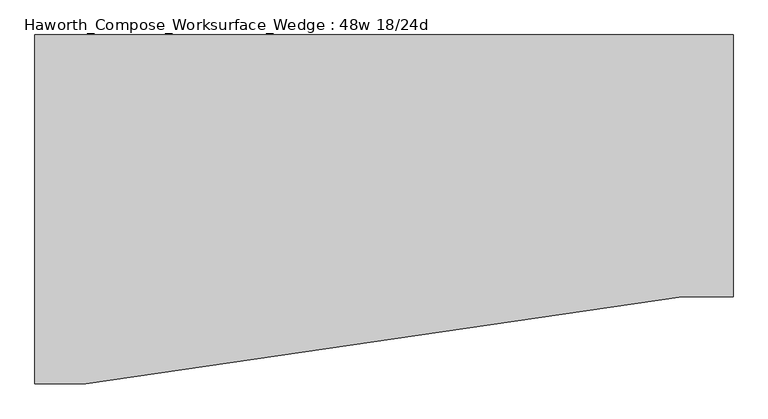
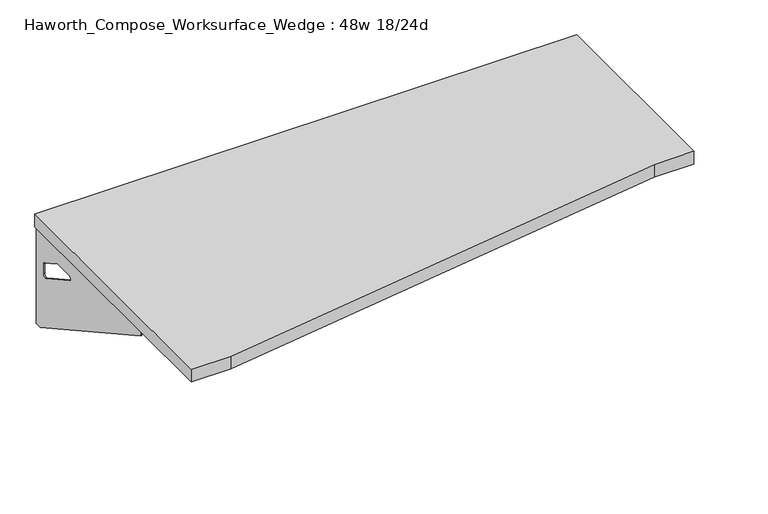
"""IFC4 building model written with IfcOpenShell, lengths in millimetres: furniture geometry, Haworth_Compose_Worksurface_Wedge : 48w 18/24d."""

from ifc_helpers import new_model, si_unit, frame, origin, place, context, project, spatial, polyline, circle_curve, outline, extrude, source, transform, mapped, element, save
from ifc_brep_helpers import plane_surface, revolved_surface, advanced_brep


def haworth_compose_worksurface_wedge_48w_18_24d_0c3a5ef6(model_context):
    return source(origin(), model_context, "Body", "SolidModel", [
        advanced_brep(
        [(604.04375, 304.8, 475.45625), (604.04375, 288.925, 475.45625), (604.04375, -101.6, 691.7192568), (604.04375, -101.6, 704.05625), (604.04375, 288.925, 704.05625), (604.04375, 304.8, 704.05625), (604.04375, 221.490072, 665.95625), (604.04375, 177.8355284, 665.95625), (604.04375, 175.1564235, 656.3705539), (604.04375, 266.8776173, 605.5776439), (604.04375, 276.225, 611.1756969), (604.04375, 276.225, 634.6860246), (604.04375, 274.4730055, 637.5242776), (604.04375, 224.5663437, 665.1613425), (606.425, 304.8, 475.45625), (606.425, 304.8, 704.05625), (606.425, 288.925, 704.05625), (606.425, 288.925, 706.4375), (606.425, -101.6, 706.4375), (606.425, -101.6, 691.7192568), (606.425, 288.925, 475.45625), (606.425, 221.490072, 665.95625), (606.425, 224.5663437, 665.1613425), (606.425, 274.4730055, 637.5242776), (606.425, 276.225, 634.6860246), (606.425, 276.225, 611.1756969), (606.425, 266.8776173, 605.5776439), (606.425, 175.1564235, 656.3705539), (606.425, 177.8355284, 665.95625), (565.15, -101.6, 706.4375), (565.15, -101.6, 704.05625), (565.15, 288.925, 704.05625), (565.15, 288.925, 706.4375)],
        [
            (0, 1),
            (1, 2),
            (2, 3),
            (3, 4),
            (4, 5),
            (5, 0),
            (6, 7),
            (7, 8, circle_curve(frame((604.04375, 177.8355284, 660.7890106), z_axis=(1.0, 0.0, 0.0), x_axis=(0.0, -1.0, 0.0)), 5.1672394)),
            (8, 9),
            (9, 10, circle_curve(frame((604.04375, 269.875, 611.1756969), z_axis=(1.0, 0.0, 0.0), x_axis=(0.0, -1.0, 0.0)), 6.35)),
            (10, 11),
            (11, 12, circle_curve(frame((604.04375, 273.05, 634.6860246), z_axis=(1.0, 0.0, 0.0), x_axis=(0.0, -1.0, 0.0)), 3.175)),
            (12, 13),
            (13, 6, circle_curve(frame((604.04375, 221.490072, 659.60625), z_axis=(1.0, 0.0, 0.0), x_axis=(0.0, -1.0, 0.0)), 6.35)),
            (14, 15),
            (15, 16),
            (16, 17),
            (17, 18),
            (18, 19),
            (19, 20),
            (20, 14),
            (21, 22, circle_curve(frame((606.425, 221.490072, 659.60625), z_axis=(-1.0, 0.0, 0.0), x_axis=(0.0, -1.0, 0.0)), 6.35)),
            (22, 23),
            (23, 24, circle_curve(frame((606.425, 273.05, 634.6860246), z_axis=(-1.0, 0.0, 0.0), x_axis=(0.0, -1.0, 0.0)), 3.175)),
            (24, 25),
            (25, 26, circle_curve(frame((606.425, 269.875, 611.1756969), z_axis=(-1.0, 0.0, 0.0), x_axis=(0.0, -1.0, 0.0)), 6.35)),
            (26, 27),
            (27, 28, circle_curve(frame((606.425, 177.8355284, 660.7890106), z_axis=(-1.0, 0.0, 0.0), x_axis=(0.0, -1.0, 0.0)), 5.1672394)),
            (28, 21),
            (4, 16),
            (15, 5),
            (14, 0),
            (20, 1),
            (19, 2),
            (18, 29),
            (29, 30),
            (30, 3),
            (6, 21),
            (28, 7),
            (9, 26),
            (25, 10),
            (24, 11),
            (23, 12),
            (27, 8),
            (31, 4),
            (30, 31),
            (32, 29),
            (17, 32),
            (31, 32),
            (22, 13),
        ],
        [
            plane_surface(frame((604.04375, 304.8, 475.45625), z_axis=(-1.0, 0.0, 0.0), x_axis=(0.0, 1.0, 0.0))),
            plane_surface(frame((606.425, 304.8, 475.45625), z_axis=(1.0, 0.0, 0.0), x_axis=(0.0, -1.0, 0.0))),
            plane_surface(frame((606.425, -101.6, 704.05625), z_axis=(0.0, 0.0, 1.0), x_axis=(-1.0, 0.0, 0.0))),
            plane_surface(frame((606.425, 304.8, 704.05625), z_axis=(0.0, 1.0, 0.0), x_axis=(-1.0, 0.0, 0.0))),
            plane_surface(frame((606.425, 304.8, 475.45625), z_axis=(0.0, 0.0, -1.0), x_axis=(-1.0, 0.0, 0.0))),
            plane_surface(frame((606.425, 288.925, 475.45625), z_axis=(0.0, -0.48445223513455843, -0.8748177135112952), x_axis=(-1.0, 0.0, 0.0))),
            plane_surface(frame((606.425, -101.6, 691.7192568), z_axis=(0.0, -1.0, 0.0), x_axis=(-1.0, 0.0, 0.0))),
            plane_surface(frame((606.425, 221.490072, 665.95625), z_axis=(0.0, 0.0, -1.0), x_axis=(-1.0, 0.0, 0.0))),
            revolved_surface(polyline([(604.04375, 263.525, 611.1756969), (606.425, 263.525, 611.1756969)]), (606.425, 269.875, 611.1756969), (-1.0, 0.0, 0.0)),
            plane_surface(frame((606.425, 276.225, 611.1756969), z_axis=(0.0, -1.0, 0.0), x_axis=(-1.0, 0.0, 0.0))),
            revolved_surface(polyline([(604.04375, 269.875, 634.6860246), (606.425, 269.875, 634.6860246)]), (606.425, 273.05, 634.6860246), (-1.0, 0.0, 0.0)),
            revolved_surface(polyline([(604.04375, 172.668289, 660.7890106), (606.425, 172.668289, 660.7890106)]), (606.425, 177.8355284, 660.7890106), (-1.0, 0.0, 0.0)),
            plane_surface(frame((606.425, 288.925, 704.05625), z_axis=(0.0, 0.0, -1.0), x_axis=(-1.0, 0.0, 0.0))),
            plane_surface(frame((606.425, 288.925, 706.4375), z_axis=(0.0, 0.0, 1.0), x_axis=(1.0, 0.0, 0.0))),
            plane_surface(frame((565.15, 288.925, 706.4375), z_axis=(0.0, 1.0, 0.0), x_axis=(0.0, 0.0, -1.0))),
            plane_surface(frame((565.15, -101.6, 706.4375), z_axis=(-1.0, 0.0, 0.0), x_axis=(0.0, 0.0, -1.0))),
            plane_surface(frame((606.425, 175.1564235, 656.3705539), z_axis=(0.0, 0.4844522351345583, 0.8748177135112953), x_axis=(-1.0, 0.0, 0.0))),
            plane_surface(frame((606.425, 274.4730055, 637.5242776), z_axis=(0.0, -0.4844522351345582, -0.8748177135112953), x_axis=(-1.0, 0.0, 0.0))),
            revolved_surface(polyline([(604.04375, 215.140072, 659.60625), (606.425, 215.140072, 659.60625)]), (606.425, 221.490072, 659.60625), (-1.0, 0.0, 0.0)),
        ],
        [
            (0, [[1, 2, 3, 4, 5, 6], [7, 8, 9, 10, 11, 12, 13, 14]]),
            (1, [[15, 16, 17, 18, 19, 20, 21], [22, 23, 24, 25, 26, 27, 28, 29]]),
            (2, [[-5, 30, -16, 31]]),
            (3, [[-31, -15, 32, -6]]),
            (4, [[-32, -21, 33, -1]]),
            (5, [[-33, -20, 34, -2]]),
            (6, [[-34, -19, 35, 36, 37, -3]]),
            (7, [[38, -29, 39, -7]]),
            (8, [[40, -26, 41, -10]]),
            (9, [[-41, -25, 42, -11]]),
            (10, [[-42, -24, 43, -12]]),
            (11, [[-39, -28, 44, -8]]),
            (12, [[45, -4, -37, 46]]),
            (13, [[47, -35, -18, 48]]),
            (14, [[-17, -30, -45, 49, -48]]),
            (15, [[-36, -47, -49, -46]]),
            (16, [[-44, -27, -40, -9]]),
            (17, [[-43, -23, 50, -13]]),
            (18, [[-50, -22, -38, -14]]),
        ],
    ),
        advanced_brep(
        [(-604.04375, 304.8, 475.45625), (-604.04375, 304.8, 704.05625), (-604.04375, 288.925, 704.05625), (-604.04375, -101.6, 704.05625), (-604.04375, -101.6, 691.7192568), (-604.04375, 288.925, 475.45625), (-604.04375, 221.490072, 665.95625), (-604.04375, 224.5663437, 665.1613425), (-604.04375, 274.4730055, 637.5242776), (-604.04375, 276.225, 634.6860246), (-604.04375, 276.225, 611.1756969), (-604.04375, 266.8776173, 605.5776439), (-604.04375, 175.1564235, 656.3705539), (-604.04375, 177.8355284, 665.95625), (-606.425, 304.8, 475.45625), (-606.425, 288.925, 475.45625), (-606.425, -101.6, 691.7192568), (-606.425, -101.6, 706.4375), (-606.425, 288.925, 706.4375), (-606.425, 288.925, 704.05625), (-606.425, 304.8, 704.05625), (-606.425, 221.490072, 665.95625), (-606.425, 177.8355284, 665.95625), (-606.425, 175.1564235, 656.3705539), (-606.425, 266.8776173, 605.5776439), (-606.425, 276.225, 611.1756969), (-606.425, 276.225, 634.6860246), (-606.425, 274.4730055, 637.5242776), (-606.425, 224.5663437, 665.1613425), (-565.15, -101.6, 704.05625), (-565.15, -101.6, 706.4375), (-565.15, 288.925, 704.05625), (-565.15, 288.925, 706.4375)],
        [
            (0, 1),
            (1, 2),
            (2, 3),
            (3, 4),
            (4, 5),
            (5, 0),
            (6, 7, circle_curve(frame((-604.04375, 221.490072, 659.60625), z_axis=(-1.0, 0.0, 0.0), x_axis=(0.0, -1.0, 0.0)), 6.35)),
            (7, 8),
            (8, 9, circle_curve(frame((-604.04375, 273.05, 634.6860246), z_axis=(-1.0, 0.0, 0.0), x_axis=(0.0, -1.0, 0.0)), 3.175)),
            (9, 10),
            (10, 11, circle_curve(frame((-604.04375, 269.875, 611.1756969), z_axis=(-1.0, 0.0, 0.0), x_axis=(0.0, -1.0, 0.0)), 6.35)),
            (11, 12),
            (12, 13, circle_curve(frame((-604.04375, 177.8355284, 660.7890106), z_axis=(-1.0, 0.0, 0.0), x_axis=(0.0, -1.0, 0.0)), 5.1672394)),
            (13, 6),
            (14, 15),
            (15, 16),
            (16, 17),
            (17, 18),
            (18, 19),
            (19, 20),
            (20, 14),
            (21, 22),
            (22, 23, circle_curve(frame((-606.425, 177.8355284, 660.7890106), z_axis=(1.0, 0.0, 0.0), x_axis=(0.0, -1.0, 0.0)), 5.1672394)),
            (23, 24),
            (24, 25, circle_curve(frame((-606.425, 269.875, 611.1756969), z_axis=(1.0, 0.0, 0.0), x_axis=(0.0, -1.0, 0.0)), 6.35)),
            (25, 26),
            (26, 27, circle_curve(frame((-606.425, 273.05, 634.6860246), z_axis=(1.0, 0.0, 0.0), x_axis=(0.0, -1.0, 0.0)), 3.175)),
            (27, 28),
            (28, 21, circle_curve(frame((-606.425, 221.490072, 659.60625), z_axis=(1.0, 0.0, 0.0), x_axis=(0.0, -1.0, 0.0)), 6.35)),
            (1, 20),
            (19, 2),
            (0, 14),
            (5, 15),
            (4, 16),
            (3, 29),
            (29, 30),
            (30, 17),
            (13, 22),
            (21, 6),
            (10, 25),
            (24, 11),
            (9, 26),
            (8, 27),
            (12, 23),
            (31, 29),
            (2, 31),
            (32, 18),
            (30, 32),
            (32, 31),
            (7, 28),
        ],
        [
            plane_surface(frame((-604.04375, 304.8, 475.45625), z_axis=(1.0, 0.0, 0.0), x_axis=(0.0, 1.0, 0.0))),
            plane_surface(frame((-606.425, 304.8, 475.45625), z_axis=(-1.0, 0.0, 0.0), x_axis=(0.0, -1.0, 0.0))),
            plane_surface(frame((-606.425, -101.6, 704.05625), z_axis=(0.0, 0.0, 1.0), x_axis=(1.0, 0.0, 0.0))),
            plane_surface(frame((-606.425, 304.8, 704.05625), z_axis=(0.0, 1.0, 0.0), x_axis=(1.0, 0.0, 0.0))),
            plane_surface(frame((-606.425, 304.8, 475.45625), z_axis=(0.0, 0.0, -1.0), x_axis=(1.0, 0.0, 0.0))),
            plane_surface(frame((-606.425, 288.925, 475.45625), z_axis=(0.0, -0.48445223513455843, -0.8748177135112952), x_axis=(1.0, 0.0, 0.0))),
            plane_surface(frame((-606.425, -101.6, 691.7192568), z_axis=(0.0, -1.0, 0.0), x_axis=(1.0, 0.0, 0.0))),
            plane_surface(frame((-606.425, 221.490072, 665.95625), z_axis=(0.0, 0.0, -1.0), x_axis=(1.0, 0.0, 0.0))),
            revolved_surface(polyline([(-604.04375, 263.525, 611.1756969), (-606.425, 263.525, 611.1756969)]), (-606.425, 269.875, 611.1756969), (1.0, 0.0, 0.0)),
            plane_surface(frame((-606.425, 276.225, 611.1756969), z_axis=(0.0, -1.0, 0.0), x_axis=(1.0, 0.0, 0.0))),
            revolved_surface(polyline([(-604.04375, 269.875, 634.6860246), (-606.425, 269.875, 634.6860246)]), (-606.425, 273.05, 634.6860246), (1.0, 0.0, 0.0)),
            revolved_surface(polyline([(-604.04375, 172.668289, 660.7890106), (-606.425, 172.668289, 660.7890106)]), (-606.425, 177.8355284, 660.7890106), (1.0, 0.0, 0.0)),
            plane_surface(frame((-606.425, 288.925, 704.05625), z_axis=(0.0, 0.0, -1.0), x_axis=(1.0, 0.0, 0.0))),
            plane_surface(frame((-606.425, 288.925, 706.4375), z_axis=(0.0, 0.0, 1.0), x_axis=(-1.0, 0.0, 0.0))),
            plane_surface(frame((-565.15, 288.925, 706.4375), z_axis=(0.0, 1.0, 0.0), x_axis=(0.0, 0.0, -1.0))),
            plane_surface(frame((-565.15, -101.6, 706.4375), z_axis=(1.0, 0.0, 0.0), x_axis=(0.0, 0.0, -1.0))),
            plane_surface(frame((-606.425, 175.1564235, 656.3705539), z_axis=(0.0, 0.4844522351345583, 0.8748177135112953), x_axis=(1.0, 0.0, 0.0))),
            plane_surface(frame((-606.425, 274.4730055, 637.5242776), z_axis=(0.0, -0.4844522351345582, -0.8748177135112953), x_axis=(1.0, 0.0, 0.0))),
            revolved_surface(polyline([(-604.04375, 215.140072, 659.60625), (-606.425, 215.140072, 659.60625)]), (-606.425, 221.490072, 659.60625), (1.0, 0.0, 0.0)),
        ],
        [
            (0, [[1, 2, 3, 4, 5, 6], [7, 8, 9, 10, 11, 12, 13, 14]]),
            (1, [[15, 16, 17, 18, 19, 20, 21], [22, 23, 24, 25, 26, 27, 28, 29]]),
            (2, [[30, -20, 31, -2]]),
            (3, [[-1, 32, -21, -30]]),
            (4, [[-6, 33, -15, -32]]),
            (5, [[-5, 34, -16, -33]]),
            (6, [[-4, 35, 36, 37, -17, -34]]),
            (7, [[-14, 38, -22, 39]]),
            (8, [[-11, 40, -25, 41]]),
            (9, [[-10, 42, -26, -40]]),
            (10, [[-9, 43, -27, -42]]),
            (11, [[-13, 44, -23, -38]]),
            (12, [[45, -35, -3, 46]]),
            (13, [[47, -18, -37, 48]]),
            (14, [[-47, 49, -46, -31, -19]]),
            (15, [[-45, -49, -48, -36]]),
            (16, [[-12, -41, -24, -44]]),
            (17, [[-8, 50, -28, -43]]),
            (18, [[-7, -39, -29, -50]]),
        ],
    ),
        extrude(outline(polyline([(609.6, 304.8), (609.6, -152.4), (520.7, -152.4), (-520.7, -304.8), (-609.6, -304.8), (-609.6, 304.8), (609.6, 304.8)])), frame((0.0, 0.0, 706.4375), z_axis=(0.0, 0.0, 1.0), x_axis=(1.0, 0.0, 0.0)), (0.0, 0.0, 1.0), 30.1625),
    ])


if __name__ == "__main__":
    model = new_model("IFC4")
    model_context = context("Model", 3, world=origin())
    ifc_project = project(units=[si_unit("LENGTHUNIT", "METRE", prefix="MILLI")], contexts=[model_context])
    site = spatial("IfcSite", under=ifc_project)
    building = spatial("IfcBuilding", under=site)
    placement = place(None, origin())
    haworth_compose_worksurface_wedge_48w_18_24d_shape = haworth_compose_worksurface_wedge_48w_18_24d_0c3a5ef6(model_context)
    element("IfcFurniture", 1, ObjectType="Haworth_Compose_Worksurface_Wedge : 48w 18/24d", at=placement, inside=building, context=model_context, shape_type="MappedRepresentation", body=[
        mapped(haworth_compose_worksurface_wedge_48w_18_24d_shape, transform((0.0, 0.0, 0.0), x_axis=(1.0, 0.0, 0.0), y_axis=(0.0, 1.0, 0.0), z_axis=(0.0, 0.0, 1.0))),
    ])
    save(model, "model.ifc")
